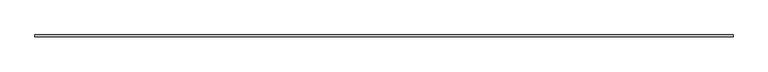
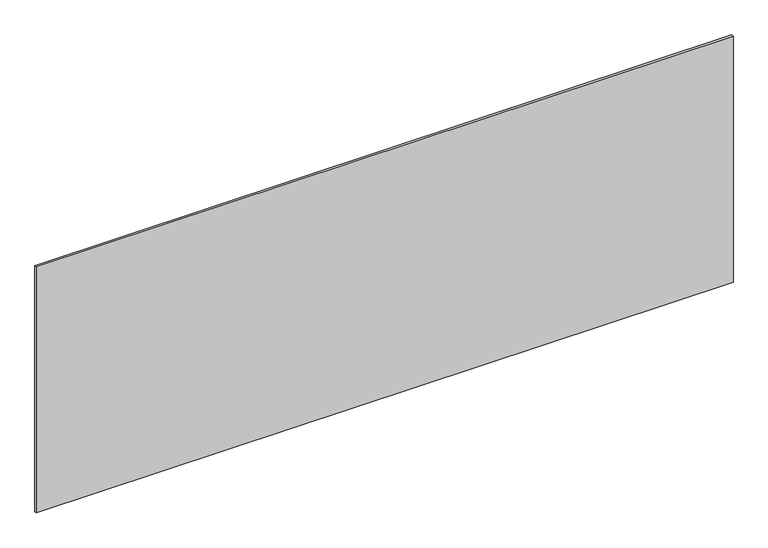
"""IFC4 building model written with IfcOpenShell, lengths in millimetres: plate geometry."""

from ifc_helpers import new_model, si_unit, origin, origin_with_axes, place, context, project, spatial, polyline, outline, extrude, source, transform, mapped, element, save


def plate_c8ad6baa(model_context):
    return source(origin(), model_context, "Body", "SweptSolid", [
        extrude(outline(polyline([(1697.5, -5.0), (-1697.5, -5.0), (-1697.5, 5.0), (1697.5, 5.0), (1697.5, -5.0)])), origin_with_axes(), (0.0, 0.0, 1.0), 1266.9562992),
    ])


if __name__ == "__main__":
    model = new_model("IFC4")
    model_context = context("Model", 3, world=origin())
    ifc_project = project(units=[si_unit("LENGTHUNIT", "METRE", prefix="MILLI")], contexts=[model_context])
    site = spatial("IfcSite", under=ifc_project)
    building = spatial("IfcBuilding", under=site)
    placement = place(None, origin())
    plate_shape = plate_c8ad6baa(model_context)
    element("IfcPlate", 1, at=placement, inside=building, context=model_context, shape_type="MappedRepresentation", body=[
        mapped(plate_shape, transform((0.0, 0.0, 0.0), x_axis=(1.0, 0.0, 0.0), y_axis=(0.0, 1.0, 0.0), z_axis=(0.0, 0.0, 1.0))),
    ])
    save(model, "model.ifc")
